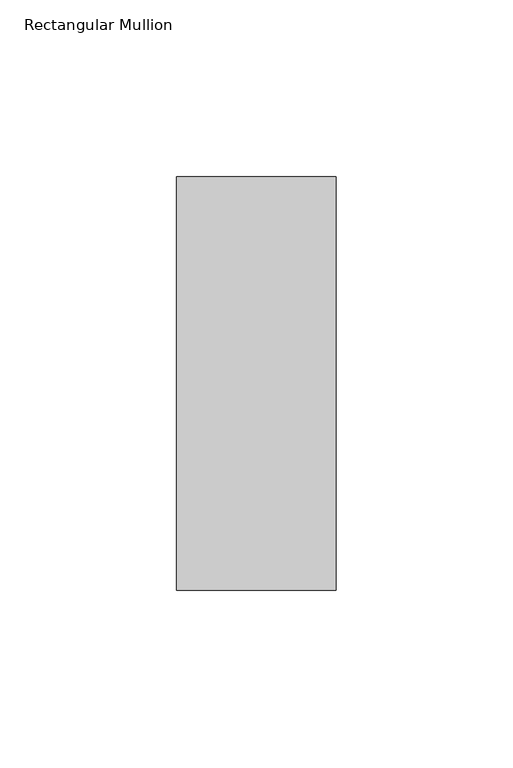
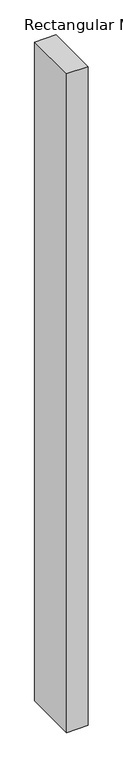
"""IFC4 building model written with IfcOpenShell, lengths in millimetres: member geometry, Rectangular Mullion."""

from ifc_helpers import new_model, si_unit, frame, origin, place, context, project, spatial, polyline, outline, extrude, source, transform, mapped, element, save


def rectangular_mullion_8319a31e(model_context):
    return source(origin(), model_context, "Body", "SweptSolid", [
        extrude(outline(polyline([(-45.0453125, 73.875), (0.0, 73.875), (0.0, -42.8257813), (-45.0453125, -42.8257813), (-45.0453125, 73.875)])), frame((0.0, 0.0, -1463.6663238), z_axis=(0.0, 0.0, 1.0), x_axis=(1.0, 0.0, 0.0)), (0.0, 0.0, 1.0), 1463.6663238),
    ])


if __name__ == "__main__":
    model = new_model("IFC4")
    model_context = context("Model", 3, world=origin())
    ifc_project = project(units=[si_unit("LENGTHUNIT", "METRE", prefix="MILLI")], contexts=[model_context])
    site = spatial("IfcSite", under=ifc_project)
    building = spatial("IfcBuilding", under=site)
    placement = place(None, origin())
    rectangular_mullion_shape = rectangular_mullion_8319a31e(model_context)
    element("IfcMember", 1, ObjectType="Rectangular Mullion", at=placement, inside=building, context=model_context, shape_type="MappedRepresentation", body=[
        mapped(rectangular_mullion_shape, transform((0.0, 0.0, 0.0), x_axis=(1.0, 0.0, 0.0), y_axis=(0.0, 1.0, 0.0), z_axis=(0.0, 0.0, 1.0))),
    ])
    save(model, "model.ifc")
